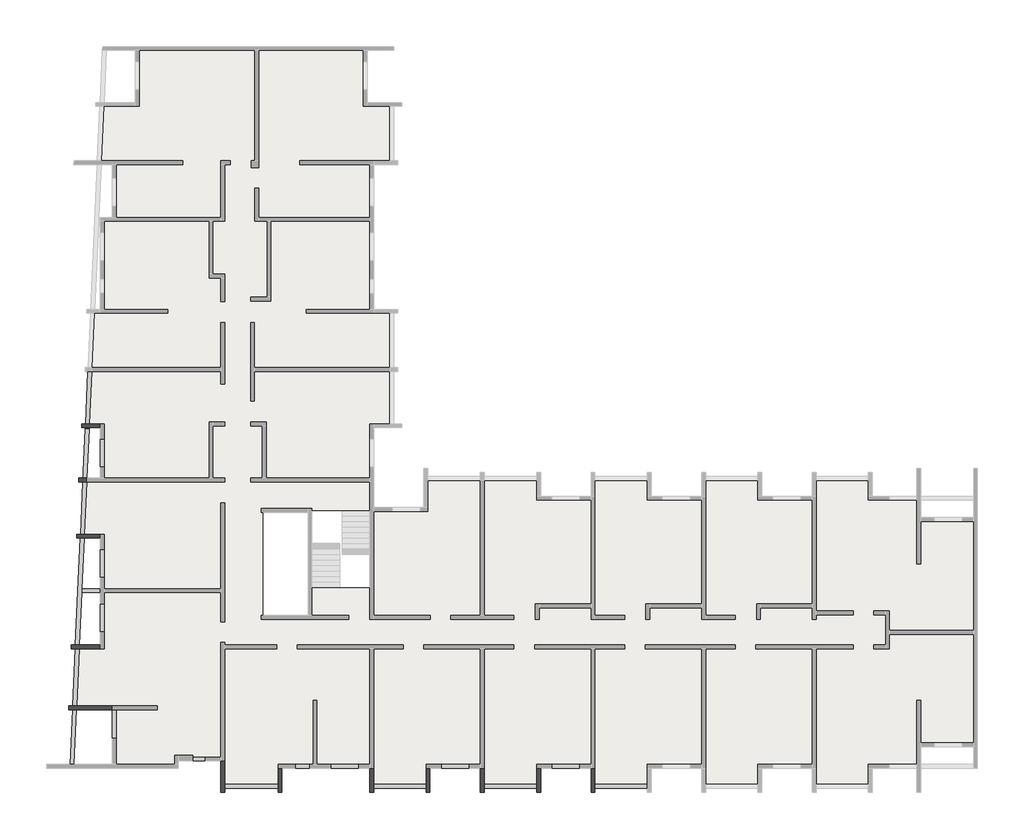
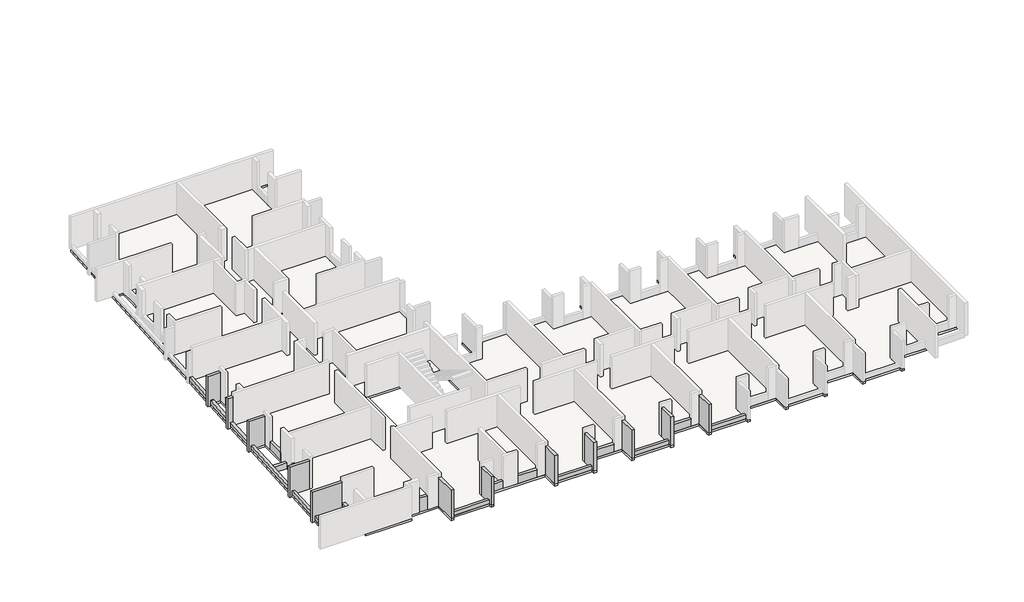
# One storey, part 3 of 4: 33 beams, 1 slab.
"""IFC4 building model written with IfcOpenShell, lengths in millimetres."""

from ifc_helpers import new_model, si_unit, frame, origin, place, context, project, spatial, polyline, outline, extrude, faceted_brep, element, save

model = new_model("IFC4")

# Units and contexts
model_context = context("Model", 3, world=origin())
ifc_project = project(units=[si_unit("LENGTHUNIT", "METRE", prefix="MILLI")], contexts=[model_context])

# Site, building, storey
site = spatial("IfcSite", under=ifc_project)
building = spatial("IfcBuilding", under=site)
storey = spatial("IfcBuildingStorey", under=building, Elevation=12290.0)

# Beams
placement = place(None, origin())
element("IfcBeam", 1, ObjectType="VI. 20/125", at=placement, inside=storey, context=model_context, shape_type="SweptSolid", body=[
    extrude(outline(polyline([(-37760.6912908, -18849.0672499), (-37760.6912908, -19049.0672499), (-38350.6912908, -19049.0672499), (-38350.6912908, -18849.0672499), (-37760.6912908, -18849.0672499)])), frame((0.0, 0.0, 12290.0), z_axis=(0.0, 0.0, 1.0), x_axis=(1.0, 0.0, 0.0)), (0.0, 0.0, 1.0), 1100.0),
])
element("IfcBeam", 2, ObjectType="VI. 20/238", at=placement, inside=storey, context=model_context, shape_type="Brep", body=[
    faceted_brep([(-17885.6912908, -20669.0672499, 14520.0), (-17885.6912908, -20669.0672499, 12140.0), (-17685.6912908, -20669.0672499, 12140.0), (-17685.6912908, -20669.0672499, 14520.0), (-17885.6912908, -19419.0672499, 14520.0), (-17685.6912908, -19419.0672499, 14520.0), (-17685.6912908, -19419.0672499, 12290.0), (-17885.6912908, -19419.0672499, 12290.0), (-17885.6912908, -20449.0672499, 12290.0), (-17885.6912908, -20449.0672499, 12140.0), (-17685.6912908, -20449.0672499, 12140.0), (-17685.6912908, -20449.0672499, 12290.0), (-17685.6912908, -20249.0672499, 12290.0)], [[[0, 1, 2, 3]], [[4, 5, 6, 7]], [[1, 0, 4, 7, 8, 9]], [[2, 1, 9, 10]], [[3, 2, 10, 11, 12, 6, 5]], [[0, 3, 5, 4]], [[8, 11, 10, 9]], [[11, 8, 7, 6, 12]]]),
])
element("IfcBeam", 3, ObjectType="VI. 20/238", at=placement, inside=storey, context=model_context, shape_type="Brep", body=[
    faceted_brep([(-20685.6912908, -20669.0672499, 14520.0), (-20685.6912908, -20669.0672499, 12140.0), (-20485.6912908, -20669.0672499, 12140.0), (-20485.6912908, -20669.0672499, 14520.0), (-20685.6912908, -19419.0672499, 14520.0), (-20485.6912908, -19419.0672499, 14520.0), (-20485.6912908, -19419.0672499, 12290.0), (-20685.6912908, -19419.0672499, 12290.0), (-20685.6912908, -20249.0672499, 12290.0), (-20685.6912908, -20449.0672499, 12290.0), (-20685.6912908, -20449.0672499, 12140.0), (-20485.6912908, -20449.0672499, 12140.0), (-20485.6912908, -20449.0672499, 12290.0)], [[[0, 1, 2, 3]], [[4, 5, 6, 7]], [[1, 0, 4, 7, 8, 9, 10]], [[2, 1, 10, 11]], [[3, 2, 11, 12, 6, 5]], [[0, 3, 5, 4]], [[9, 12, 11, 10]], [[12, 9, 8, 7, 6]]]),
])
element("IfcBeam", 4, ObjectType="VI. 20/238", at=placement, inside=storey, context=model_context, shape_type="Brep", body=[
    faceted_brep([(-23575.6912908, -20669.0672499, 14520.0), (-23575.6912908, -20669.0672499, 12140.0), (-23375.6912908, -20669.0672499, 12140.0), (-23375.6912908, -20669.0672499, 14520.0), (-23575.6912908, -19419.0672499, 14520.0), (-23375.6912908, -19419.0672499, 14520.0), (-23375.6912908, -19419.0672499, 12290.0), (-23575.6912908, -19419.0672499, 12290.0), (-23575.6912908, -20449.0672499, 12290.0), (-23575.6912908, -20449.0672499, 12140.0), (-23375.6912908, -20449.0672499, 12140.0), (-23375.6912908, -20449.0672499, 12290.0), (-23375.6912908, -20249.0672499, 12290.0)], [[[0, 1, 2, 3]], [[4, 5, 6, 7]], [[1, 0, 4, 7, 8, 9]], [[2, 1, 9, 10]], [[3, 2, 10, 11, 12, 6, 5]], [[0, 3, 5, 4]], [[8, 11, 10, 9]], [[11, 8, 7, 6, 12]]]),
])
element("IfcBeam", 5, ObjectType="VI. 20/238", at=placement, inside=storey, context=model_context, shape_type="Brep", body=[
    faceted_brep([(-26375.6912908, -20669.0672499, 14520.0), (-26375.6912908, -20669.0672499, 12140.0), (-26175.6912908, -20669.0672499, 12140.0), (-26175.6912908, -20669.0672499, 14520.0), (-26375.6912908, -19419.0672499, 14520.0), (-26175.6912908, -19419.0672499, 14520.0), (-26175.6912908, -19419.0672499, 12290.0), (-26375.6912908, -19419.0672499, 12290.0), (-26375.6912908, -20249.0672499, 12290.0), (-26375.6912908, -20449.0672499, 12290.0), (-26375.6912908, -20449.0672499, 12140.0), (-26175.6912908, -20449.0672499, 12140.0), (-26175.6912908, -20449.0672499, 12290.0)], [[[0, 1, 2, 3]], [[4, 5, 6, 7]], [[1, 0, 4, 7, 8, 9, 10]], [[2, 1, 10, 11]], [[3, 2, 11, 12, 6, 5]], [[0, 3, 5, 4]], [[9, 12, 11, 10]], [[12, 9, 8, 7, 6]]]),
])
element("IfcBeam", 6, ObjectType="VI. 20/238", at=placement, inside=storey, context=model_context, shape_type="Brep", body=[
    faceted_brep([(-29265.6912908, -20669.0672499, 14520.0), (-29265.6912908, -20669.0672499, 12140.0), (-29065.6912908, -20669.0672499, 12140.0), (-29065.6912908, -20669.0672499, 14520.0), (-29265.6912908, -19419.0672499, 14520.0), (-29065.6912908, -19419.0672499, 14520.0), (-29065.6912908, -19419.0672499, 12290.0), (-29265.6912908, -19419.0672499, 12290.0), (-29265.6912908, -20449.0672499, 12290.0), (-29265.6912908, -20449.0672499, 12140.0), (-29065.6912908, -20449.0672499, 12140.0), (-29065.6912908, -20449.0672499, 12290.0), (-29065.6912908, -20249.0672499, 12290.0)], [[[0, 1, 2, 3]], [[4, 5, 6, 7]], [[1, 0, 4, 7, 8, 9]], [[2, 1, 9, 10]], [[3, 2, 10, 11, 12, 6, 5]], [[0, 3, 5, 4]], [[8, 11, 10, 9]], [[11, 8, 7, 6, 12]]]),
])
element("IfcBeam", 7, ObjectType="VI. 20/238", at=placement, inside=storey, context=model_context, shape_type="Brep", body=[
    faceted_brep([(-33985.6912908, -20669.0672499, 14520.0), (-33985.6912908, -20669.0672499, 12140.0), (-33785.6912908, -20669.0672499, 12140.0), (-33785.6912908, -20669.0672499, 14520.0), (-33985.6912908, -19419.0672499, 14520.0), (-33785.6912908, -19419.0672499, 14520.0), (-33785.6912908, -19419.0672499, 12290.0), (-33985.6912908, -19419.0672499, 12290.0), (-33985.6912908, -20249.0672499, 12290.0), (-33985.6912908, -20449.0672499, 12290.0), (-33985.6912908, -20449.0672499, 12140.0), (-33785.6912908, -20449.0672499, 12140.0), (-33785.6912908, -20449.0672499, 12290.0)], [[[0, 1, 2, 3]], [[4, 5, 6, 7]], [[1, 0, 4, 7, 8, 9, 10]], [[2, 1, 10, 11]], [[3, 2, 11, 12, 6, 5]], [[0, 3, 5, 4]], [[9, 12, 11, 10]], [[12, 9, 8, 7, 6]]]),
])
element("IfcBeam", 8, ObjectType="VI. 20/238", at=placement, inside=storey, context=model_context, shape_type="Brep", body=[
    faceted_brep([(-36935.6912908, -20669.0672499, 14520.0), (-36935.6912908, -20669.0672499, 12140.0), (-36735.6912908, -20669.0672499, 12140.0), (-36735.6912908, -20669.0672499, 14520.0), (-36935.6912908, -19049.0672499, 14520.0), (-36735.6912908, -19049.0672499, 14520.0), (-36735.6912908, -19049.0672499, 12290.0), (-36935.6912908, -19049.0672499, 12290.0), (-36935.6912908, -20449.0672499, 12290.0), (-36935.6912908, -20449.0672499, 12140.0), (-36735.6912908, -20449.0672499, 12140.0), (-36735.6912908, -20449.0672499, 12290.0), (-36735.6912908, -20249.0672499, 12290.0)], [[[0, 1, 2, 3]], [[4, 5, 6, 7]], [[1, 0, 4, 7, 8, 9]], [[2, 1, 9, 10]], [[3, 2, 10, 11, 12, 6, 5]], [[0, 3, 5, 4]], [[8, 11, 10, 9]], [[11, 8, 7, 6, 12]]]),
])
element("IfcBeam", 9, ObjectType="VI. 20/238", at=placement, inside=storey, context=model_context, shape_type="Brep", body=[
    faceted_brep([(-44760.6912908, -16219.0891641, 14520.0), (-44760.6912908, -16219.0891641, 12140.0), (-44760.6912908, -16419.0891641, 12140.0), (-44760.6912908, -16419.0891641, 14520.0), (-42525.6912908, -16219.0891641, 14520.0), (-42525.6912908, -16219.0891641, 12290.0), (-44352.8043976, -16219.0891641, 12290.0), (-44553.0100894, -16219.0891641, 12290.0), (-44553.0100894, -16219.0891641, 12140.0), (-44562.0830718, -16419.0891641, 12140.0), (-44562.0830718, -16419.0891641, 12290.0), (-44361.876386, -16419.0891641, 12290.0), (-42525.6912908, -16419.0891641, 12290.0), (-42525.6912908, -16419.0891641, 14520.0)], [[[0, 1, 2, 3]], [[1, 0, 4, 5, 6, 7, 8]], [[2, 1, 8, 9]], [[3, 2, 9, 10, 11, 12, 13]], [[0, 3, 13, 4]], [[7, 10, 9, 8]], [[10, 7, 6, 5, 12, 11]], [[5, 4, 13, 12]]]),
])
element("IfcBeam", 10, ObjectType="VI. 20/238", at=placement, inside=storey, context=model_context, shape_type="Brep", body=[
    faceted_brep([(-44615.6912908, -13079.0891641, 14520.0), (-44615.6912908, -13079.0891641, 12140.0), (-44615.6912908, -13279.0891641, 12140.0), (-44615.6912908, -13279.0891641, 14520.0), (-43135.6912908, -13079.0891641, 14520.0), (-43135.6912908, -13079.0891641, 12290.0), (-44210.3575789, -13079.0891641, 12290.0), (-44410.5642648, -13079.0891641, 12290.0), (-44410.5642648, -13079.0891641, 12140.0), (-44419.6372472, -13279.0891641, 12140.0), (-44419.6372472, -13279.0891641, 12290.0), (-44219.4315555, -13279.0891641, 12290.0), (-43135.6912908, -13279.0891641, 12290.0), (-43135.6912908, -13279.0891641, 14520.0)], [[[0, 1, 2, 3]], [[1, 0, 4, 5, 6, 7, 8]], [[2, 1, 8, 9]], [[3, 2, 9, 10, 11, 12, 13]], [[0, 3, 13, 4]], [[4, 13, 12, 5]], [[7, 10, 9, 8]], [[10, 7, 6, 5, 12, 11]]]),
])
element("IfcBeam", 11, ObjectType="VI. 20/238", at=placement, inside=storey, context=model_context, shape_type="Brep", body=[
    faceted_brep([(-44355.6912908, -7379.0672499, 14520.0), (-44355.6912908, -7379.0672499, 12140.0), (-44355.6912908, -7579.0672499, 12140.0), (-44355.6912908, -7579.0672499, 14520.0), (-43135.6912908, -7379.0672499, 14520.0), (-43135.6912908, -7379.0672499, 12290.0), (-43951.7775788, -7379.0672499, 12290.0), (-44151.9832705, -7379.0672499, 12290.0), (-44151.9832705, -7379.0672499, 12140.0), (-44161.056253, -7579.0672499, 12140.0), (-44161.056253, -7579.0672499, 12290.0), (-43960.8505612, -7579.0672499, 12290.0), (-43135.6912908, -7579.0672499, 12290.0), (-43135.6912908, -7579.0672499, 14520.0)], [[[0, 1, 2, 3]], [[1, 0, 4, 5, 6, 7, 8]], [[2, 1, 8, 9]], [[3, 2, 9, 10, 11, 12, 13]], [[0, 3, 13, 4]], [[4, 13, 12, 5]], [[7, 10, 9, 8]], [[10, 7, 6, 5, 12, 11]]]),
])
element("IfcBeam", 12, ObjectType="VI. 20/238", at=placement, inside=storey, context=model_context, shape_type="Brep", body=[
    faceted_brep([(-43800.6912908, -4689.1017012, 12140.0), (-43800.6912908, -4489.1017012, 12140.0), (-43800.6912908, -4489.1017012, 12290.0), (-43800.6912908, -4689.1017012, 12290.0), (-44235.6912908, -4689.1017012, 14520.0), (-44235.6912908, -4489.1017012, 14520.0), (-44235.6912908, -4489.1017012, 12140.0), (-44235.6912908, -4689.1017012, 12140.0), (-43829.7459647, -4689.1017012, 12290.0), (-43829.7475276, -4689.1017012, 12590.0), (-43829.7475276, -4689.1017012, 14520.0), (-43820.6745451, -4489.1017012, 14520.0), (-43820.6745451, -4489.1017012, 12290.0)], [[[0, 1, 2, 3]], [[4, 5, 6, 7]], [[4, 7, 0, 3, 8, 9, 10]], [[1, 0, 7, 6]], [[6, 5, 11, 12, 2, 1]], [[5, 4, 10, 11]], [[12, 8, 3, 2]], [[8, 12, 11, 10, 9]]]),
])
element("IfcBeam", 13, ObjectType="VI. 20/238", at=placement, inside=storey, context=model_context, shape_type="Brep", body=[
    faceted_brep([(-44100.6912908, -1889.5482142, 14520.0), (-44100.6912908, -1689.5482142, 14520.0), (-44100.6912908, -1689.5482142, 12140.0), (-44100.6912908, -1889.5482142, 12140.0), (-43902.9517209, -1889.5482142, 12140.0), (-43902.9517209, -1889.5482142, 12290.0), (-43702.7460292, -1889.5482142, 12290.0), (-43135.6912908, -1889.5482142, 12290.0), (-43135.6912908, -1889.5482142, 14520.0), (-43893.8787384, -1689.5482142, 12140.0), (-43135.6912908, -1689.5482142, 14520.0), (-43135.6912908, -1689.5482142, 12290.0), (-43693.6730467, -1689.5482142, 12290.0), (-43893.8787384, -1689.5482142, 12290.0)], [[[0, 1, 2, 3]], [[0, 3, 4, 5, 6, 7, 8]], [[3, 2, 9, 4]], [[2, 1, 10, 11, 12, 13, 9]], [[1, 0, 8, 10]], [[10, 8, 7, 11]], [[13, 5, 4, 9]], [[5, 13, 12, 11, 7, 6]]]),
])
element("IfcBeam", 14, ObjectType="VI. 20/45", at=placement, inside=storey, context=model_context, shape_type="SweptSolid", body=[
    extrude(outline(polyline([(-14995.6912908, -20249.0672499), (-14995.6912908, -20449.0672499), (-17685.6912908, -20449.0672499), (-17685.6912908, -20249.0672499), (-14995.6912908, -20249.0672499)])), frame((0.0, 0.0, 12290.0), z_axis=(0.0, 0.0, 1.0), x_axis=(1.0, 0.0, 0.0)), (0.0, 0.0, 1.0), 300.0),
])
element("IfcBeam", 15, ObjectType="VI. 20/45", at=placement, inside=storey, context=model_context, shape_type="SweptSolid", body=[
    extrude(outline(polyline([(-20685.6912908, -20249.0672499), (-20685.6912908, -20449.0672499), (-23375.6912908, -20449.0672499), (-23375.6912908, -20249.0672499), (-20685.6912908, -20249.0672499)])), frame((0.0, 0.0, 12290.0), z_axis=(0.0, 0.0, 1.0), x_axis=(1.0, 0.0, 0.0)), (0.0, 0.0, 1.0), 300.0),
])
element("IfcBeam", 16, ObjectType="VI. 20/45", at=placement, inside=storey, context=model_context, shape_type="SweptSolid", body=[
    extrude(outline(polyline([(-26375.6912908, -20249.0672499), (-26375.6912908, -20449.0672499), (-29065.6912908, -20449.0672499), (-29065.6912908, -20249.0672499), (-26375.6912908, -20249.0672499)])), frame((0.0, 0.0, 12290.0), z_axis=(0.0, 0.0, 1.0), x_axis=(1.0, 0.0, 0.0)), (0.0, 0.0, 1.0), 300.0),
])
element("IfcBeam", 17, ObjectType="VI. 20/45", at=placement, inside=storey, context=model_context, shape_type="SweptSolid", body=[
    extrude(outline(polyline([(-33985.6912908, -20249.0672499), (-33985.6912908, -20449.0672499), (-36735.6912908, -20449.0672499), (-36735.6912908, -20249.0672499), (-33985.6912908, -20249.0672499)])), frame((0.0, 0.0, 12290.0), z_axis=(0.0, 0.0, 1.0), x_axis=(1.0, 0.0, 0.0)), (0.0, 0.0, 1.0), 300.0),
])
element("IfcBeam", 18, ObjectType="VI. 20/45", at=placement, inside=storey, context=model_context, shape_type="SweptSolid", body=[
    extrude(outline(polyline([(-44488.8981404, -19219.0672499), (-44689.1038321, -19219.0672499), (-44562.0830718, -16419.0891641), (-44361.8773801, -16419.0891641), (-44488.8981404, -19219.0672499)])), frame((0.0, 0.0, 12140.0), z_axis=(0.0, 0.0, 1.0), x_axis=(1.0, 0.0, 0.0)), (0.0, 0.0, 1.0), 450.0),
])
element("IfcBeam", 19, ObjectType="VI. 20/45", at=placement, inside=storey, context=model_context, shape_type="SweptSolid", body=[
    extrude(outline(polyline([(-44352.8043976, -16219.0891641), (-44553.0100894, -16219.0891641), (-44419.6372472, -13279.0891641), (-44219.4315555, -13279.0891641), (-44352.8043976, -16219.0891641)])), frame((0.0, 0.0, 12290.0), z_axis=(0.0, 0.0, 1.0), x_axis=(1.0, 0.0, 0.0)), (0.0, 0.0, 1.0), 300.0),
])
element("IfcBeam", 20, ObjectType="VI. 20/45", at=placement, inside=storey, context=model_context, shape_type="Brep", body=[
    faceted_brep([(-44210.358573, -13079.0891641, 12290.0), (-43961.984684, -7604.0672499, 12290.0), (-43960.8505612, -7579.0672499, 12290.0), (-43960.8505612, -7579.0672499, 12590.0), (-44078.8008961, -10179.1017012, 12590.0), (-44087.8738785, -10379.1017012, 12590.0), (-44210.358573, -13079.0891641, 12590.0), (-44410.5642648, -13079.0891641, 12290.0), (-44410.5642648, -13079.0891641, 12590.0), (-44161.056253, -7579.0672499, 12590.0), (-44161.056253, -7579.0672499, 12290.0)], [[[0, 1, 2, 3, 4, 5, 6]], [[7, 8, 9, 10]], [[8, 6, 5, 4, 3, 9]], [[1, 0, 7, 10, 2]], [[6, 8, 7, 0]], [[3, 2, 10, 9]]]),
])
element("IfcBeam", 21, ObjectType="VI. 20/45", at=placement, inside=storey, context=model_context, shape_type="Brep", body=[
    faceted_brep([(-44087.8738785, -10379.1017012, 12140.0), (-43135.6912908, -10379.1017012, 12140.0), (-43135.6912908, -10379.1017012, 12290.0), (-43135.6912908, -10379.1017012, 12590.0), (-44087.8738785, -10379.1017012, 12590.0), (-44087.8738785, -10379.1017012, 12290.0), (-43135.6912908, -10179.1017012, 12140.0), (-44078.8008961, -10179.1017012, 12140.0), (-44078.8008961, -10179.1017012, 12290.0), (-44078.8008961, -10179.1017012, 12590.0), (-43135.6912908, -10179.1017012, 12590.0), (-43135.6912908, -10179.1017012, 12290.0)], [[[0, 1, 2, 3, 4, 5]], [[6, 1, 0, 7]], [[6, 7, 8, 9, 10, 11]], [[9, 4, 3, 10]], [[1, 6, 11, 10, 3, 2]], [[7, 0, 5, 4, 9, 8]]]),
])
element("IfcBeam", 22, ObjectType="VI. 20/45", at=placement, inside=storey, context=model_context, shape_type="Brep", body=[
    faceted_brep([(-43951.7775788, -7379.0672499, 12590.0), (-43951.7775788, -7379.0672499, 12290.0), (-43829.7475276, -4689.1017012, 12290.0), (-43829.7475276, -4689.1017012, 12590.0), (-44151.9832705, -7379.0672499, 12290.0), (-44151.9832705, -7379.0672499, 12590.0), (-44029.9532193, -4689.1017012, 12590.0), (-44029.9532193, -4689.1017012, 12290.0), (-43882.5482129, -4689.1017012, 12590.0), (-43882.5482129, -4689.1017012, 12290.0)], [[[0, 1, 2, 3]], [[4, 5, 6, 7]], [[5, 0, 3, 8, 6]], [[0, 5, 4, 1]], [[1, 4, 7, 9, 2]], [[3, 2, 9, 7, 6, 8]]]),
])
element("IfcBeam", 23, ObjectType="VI. 20/45", at=placement, inside=storey, context=model_context, shape_type="Brep", body=[
    faceted_brep([(-43820.6729822, -4489.0672499, 12290.0), (-43705.7747362, -1956.311422, 12290.0), (-43705.7747362, -1956.311422, 12590.0), (-43820.6729822, -4489.0672499, 12590.0), (-43829.7459647, -4689.0672499, 12590.0), (-43829.7459647, -4689.0672499, 12290.0), (-44029.6489268, -4682.3940389, 12590.0), (-43905.5692558, -1947.2477611, 12590.0), (-43905.5692558, -1947.2477611, 12290.0), (-44029.6489268, -4682.3940389, 12290.0), (-43882.5482129, -4689.0672499, 12590.0), (-43882.5482129, -4689.0672499, 12290.0)], [[[0, 1, 2, 3, 4, 5]], [[6, 7, 8, 9]], [[7, 6, 10, 4, 3, 2]], [[1, 0, 5, 11, 9, 8]], [[10, 6, 9, 11]], [[4, 10, 11, 5]], [[7, 2, 1, 8]]]),
])
element("IfcBeam", 24, ObjectType="VI. 20/45", at=placement, inside=storey, context=model_context, shape_type="SweptSolid", body=[
    extrude(outline(polyline([(-43571.6196137, 1000.9327501), (-43693.6730467, -1689.5482142), (-43893.8787384, -1689.5482142), (-43771.8253055, 1000.9327501), (-43571.6196137, 1000.9327501)])), frame((0.0, 0.0, 12290.0), z_axis=(0.0, 0.0, 1.0), x_axis=(1.0, 0.0, 0.0)), (0.0, 0.0, 1.0), 300.0),
])
element("IfcBeam", 25, ObjectType="VI. 20/45", at=placement, inside=storey, context=model_context, shape_type="SweptSolid", body=[
    extrude(outline(polyline([(-43702.7460292, -1889.5482142), (-43705.7747362, -1956.311422), (-43905.5692558, -1947.2477611), (-43902.9517209, -1889.5482142), (-43702.7460292, -1889.5482142)])), frame((0.0, 0.0, 12290.0), z_axis=(0.0, 0.0, 1.0), x_axis=(1.0, 0.0, 0.0)), (0.0, 0.0, 1.0), 300.0),
])
element("IfcBeam", 26, ObjectType="VI. 20/75", at=placement, inside=storey, context=model_context, shape_type="SweptSolid", body=[
    extrude(outline(polyline([(-18465.6912908, -19219.0672499), (-18465.6912908, -19419.0672499), (-19905.6912908, -19419.0672499), (-19905.6912908, -19219.0672499), (-18465.6912908, -19219.0672499)])), frame((0.0, 0.0, 12290.0), z_axis=(0.0, 0.0, 1.0), x_axis=(1.0, 0.0, 0.0)), (0.0, 0.0, 1.0), 600.0),
])
element("IfcBeam", 27, ObjectType="VI. 20/75", at=placement, inside=storey, context=model_context, shape_type="SweptSolid", body=[
    extrude(outline(polyline([(-24155.6912908, -19219.0672499), (-24155.6912908, -19419.0672499), (-25595.6912908, -19419.0672499), (-25595.6912908, -19219.0672499), (-24155.6912908, -19219.0672499)])), frame((0.0, 0.0, 12290.0), z_axis=(0.0, 0.0, 1.0), x_axis=(1.0, 0.0, 0.0)), (0.0, 0.0, 1.0), 600.0),
])
element("IfcBeam", 28, ObjectType="VI. 20/75", at=placement, inside=storey, context=model_context, shape_type="SweptSolid", body=[
    extrude(outline(polyline([(-29845.6912908, -19219.0672499), (-29845.6912908, -19419.0672499), (-31285.6912908, -19419.0672499), (-31285.6912908, -19219.0672499), (-29845.6912908, -19219.0672499)])), frame((0.0, 0.0, 12290.0), z_axis=(0.0, 0.0, 1.0), x_axis=(1.0, 0.0, 0.0)), (0.0, 0.0, 1.0), 600.0),
])
element("IfcBeam", 29, ObjectType="VI. 20/75", at=placement, inside=storey, context=model_context, shape_type="SweptSolid", body=[
    extrude(outline(polyline([(-42935.6912908, -3909.0672499), (-43135.6912908, -3909.0672499), (-43135.6912908, -2469.0672499), (-42935.6912908, -2469.0672499), (-42935.6912908, -3909.0672499)])), frame((0.0, 0.0, 12290.0), z_axis=(0.0, 0.0, 1.0), x_axis=(1.0, 0.0, 0.0)), (0.0, 0.0, 1.0), 600.0),
])
element("IfcBeam", 30, ObjectType="VI. 20/75", at=placement, inside=storey, context=model_context, shape_type="SweptSolid", body=[
    extrude(outline(polyline([(-42525.6912908, -16419.0672499), (-42325.6912908, -16419.0672499), (-42325.6912908, -17889.0672499), (-42525.6912908, -17889.0672499), (-42525.6912908, -16419.0672499)])), frame((0.0, 0.0, 12290.0), z_axis=(0.0, 0.0, 1.0), x_axis=(1.0, 0.0, 0.0)), (0.0, 0.0, 1.0), 600.0),
])
element("IfcBeam", 31, ObjectType="VI. 20/75", at=placement, inside=storey, context=model_context, shape_type="SweptSolid", body=[
    extrude(outline(polyline([(-42935.6912908, -9599.0672499), (-43135.6912908, -9599.0672499), (-43135.6912908, -8159.0672499), (-42935.6912908, -8159.0672499), (-42935.6912908, -9599.0672499)])), frame((0.0, 0.0, 12290.0), z_axis=(0.0, 0.0, 1.0), x_axis=(1.0, 0.0, 0.0)), (0.0, 0.0, 1.0), 600.0),
])
element("IfcBeam", 32, ObjectType="VI. 20/75", at=placement, inside=storey, context=model_context, shape_type="SweptSolid", body=[
    extrude(outline(polyline([(-42935.6912908, -12399.0672499), (-43135.6912908, -12399.0672499), (-43135.6912908, -10959.0672499), (-42935.6912908, -10959.0672499), (-42935.6912908, -12399.0672499)])), frame((0.0, 0.0, 12290.0), z_axis=(0.0, 0.0, 1.0), x_axis=(1.0, 0.0, 0.0)), (0.0, 0.0, 1.0), 600.0),
])
element("IfcBeam", 33, ObjectType="VI. 20/75", at=placement, inside=storey, context=model_context, shape_type="SweptSolid", body=[
    extrude(outline(polyline([(-32365.6912908, -19219.0672499), (-32365.6912908, -19419.0672499), (-33105.6912908, -19419.0672499), (-33105.6912908, -19219.0672499), (-32365.6912908, -19219.0672499)])), frame((0.0, 0.0, 12290.0), z_axis=(0.0, 0.0, 1.0), x_axis=(1.0, 0.0, 0.0)), (0.0, 0.0, 1.0), 600.0),
])

# Slab
element("IfcSlab", 34, ObjectType="LHA15", at=placement, inside=storey, context=model_context, shape_type="Brep", body=[
    faceted_brep([(1994.3087092, -18319.0672499, 12140.0), (1994.3087092, -18319.0672499, 12290.0), (1189.3087092, -18319.0672499, 12290.0), (-200.6912908, -18319.0672499, 12290.0), (-925.6912908, -18319.0672499, 12290.0), (-925.6912908, -18319.0672499, 12140.0), (-925.6912908, -19419.0672499, 12290.0), (-925.6912908, -19419.0672499, 12140.0), (-925.6912908, -19219.0672499, 12140.0), (-1125.6912908, -19419.0672499, 12290.0), (-2545.6912908, -19419.0672499, 12290.0), (-3415.6912908, -19419.0672499, 12290.0), (-3415.6912908, -19419.0672499, 12140.0), (-3415.6912908, -20449.0672499, 12290.0), (-3415.6912908, -20669.0672499, 12290.0), (-3415.6912908, -20669.0672499, 12140.0), (-6505.6912908, -20669.0672499, 12140.0), (-6505.6912908, -20669.0672499, 12290.0), (-6505.6912908, -20449.0672499, 12290.0), (-6505.6912908, -19419.0672499, 12290.0), (-6505.6912908, -19419.0672499, 12140.0), (-7085.6912908, -19419.0672499, 12290.0), (-8525.6912908, -19419.0672499, 12290.0), (-9105.6912908, -19419.0672499, 12290.0), (-9105.6912908, -19419.0672499, 12140.0), (-9105.6912908, -20449.0672499, 12290.0), (-9105.6912908, -20669.0672499, 12290.0), (-9105.6912908, -20669.0672499, 12140.0), (-12195.6912908, -20669.0672499, 12140.0), (-12195.6912908, -20669.0672499, 12290.0), (-12195.6912908, -20449.0672499, 12290.0), (-12195.6912908, -19419.0672499, 12290.0), (-12195.6912908, -19419.0672499, 12140.0), (-12775.6912908, -19419.0672499, 12290.0), (-14215.6912908, -19419.0672499, 12290.0), (-14795.6912908, -19419.0672499, 12290.0), (-14795.6912908, -19419.0672499, 12140.0), (-14795.6912908, -20449.0672499, 12290.0), (-14795.6912908, -20669.0672499, 12290.0), (-14795.6912908, -20669.0672499, 12140.0), (-17885.6912908, -20669.0672499, 12140.0), (-17885.6912908, -20669.0672499, 12290.0), (-17885.6912908, -20449.0672499, 12290.0), (-17885.6912908, -19419.0672499, 12290.0), (-17885.6912908, -19419.0672499, 12140.0), (-18465.6912908, -19419.0672499, 12290.0), (-19905.6912908, -19419.0672499, 12290.0), (-20485.6912908, -19419.0672499, 12290.0), (-20485.6912908, -19419.0672499, 12140.0), (-20485.6912908, -20449.0672499, 12290.0), (-20485.6912908, -20669.0672499, 12290.0), (-20485.6912908, -20669.0672499, 12140.0), (-23575.6912908, -20669.0672499, 12140.0), (-23575.6912908, -20669.0672499, 12290.0), (-23575.6912908, -20449.0672499, 12290.0), (-23575.6912908, -19419.0672499, 12290.0), (-23575.6912908, -19419.0672499, 12140.0), (-24155.6912908, -19419.0672499, 12290.0), (-25595.6912908, -19419.0672499, 12290.0), (-26175.6912908, -19419.0672499, 12290.0), (-26175.6912908, -19419.0672499, 12140.0), (-26175.6912908, -20449.0672499, 12290.0), (-26175.6912908, -20669.0672499, 12290.0), (-26175.6912908, -20669.0672499, 12140.0), (-29265.6912908, -20669.0672499, 12140.0), (-29265.6912908, -20669.0672499, 12290.0), (-29265.6912908, -20449.0672499, 12290.0), (-29265.6912908, -19419.0672499, 12290.0), (-29265.6912908, -19419.0672499, 12140.0), (-29845.6912908, -19419.0672499, 12290.0), (-31285.6912908, -19419.0672499, 12290.0), (-32365.6912908, -19419.0672499, 12290.0), (-33105.6912908, -19419.0672499, 12290.0), (-33785.6912908, -19419.0672499, 12290.0), (-33785.6912908, -19419.0672499, 12140.0), (-33785.6912908, -20449.0672499, 12290.0), (-33785.6912908, -20669.0672499, 12290.0), (-33785.6912908, -20669.0672499, 12140.0), (-36935.6912908, -20669.0672499, 12140.0), (-36935.6912908, -20669.0672499, 12290.0), (-36935.6912908, -20449.0672499, 12290.0), (-36935.6912908, -19049.0672499, 12290.0), (-36935.6912908, -19049.0672499, 12140.0), (-37760.6912908, -19049.0672499, 12290.0), (-38350.6912908, -19049.0672499, 12290.0), (-39115.6912908, -19049.0672499, 12290.0), (-39115.6912908, -19049.0672499, 12140.0), (-39115.6912908, -19419.0672499, 12290.0), (-39115.6912908, -19419.0672499, 12140.0), (-42525.6912908, -19419.0672499, 12290.0), (-42525.6912908, -19419.0672499, 12140.0), (-41335.6912908, 17730.9327501, 12140.0), (-41335.6912908, 17730.9327501, 12290.0), (-28035.6912908, 17730.9327501, 12290.0), (-28035.6912908, 17730.9327501, 12140.0), (-29395.6912908, 17530.9327501, 12140.0), (-29395.6912908, 17530.9327501, 12290.0), (-29395.6912908, 16950.9327501, 12290.0), (-29395.6912908, 15510.9327501, 12290.0), (-29395.6912908, 14850.8982988, 12290.0), (-29395.6912908, 14850.8982988, 12140.0), (-27635.6912908, 14850.8982988, 12290.0), (-27635.6912908, 14850.8982988, 12140.0), (-28035.6912908, 14650.9327501, 12140.0), (-28035.6912908, 14650.9327501, 12290.0), (-28035.6912908, 11850.9327501, 12290.0), (-28035.6912908, 11850.9327501, 12140.0), (-27835.6912908, 11650.9327501, 12140.0), (-27835.6912908, 11650.9327501, 12290.0), (-29065.6912908, 11650.9327501, 12290.0), (-29065.6912908, 11650.9327501, 12140.0), (-29065.6912908, 10925.9327501, 12290.0), (-29065.6912908, 9535.9327501, 12290.0), (-29065.6912908, 8150.9327501, 12290.0), (-29065.6912908, 6710.9327501, 12290.0), (-29065.6912908, 5760.9327501, 12290.0), (-29065.6912908, 5020.9327501, 12290.0), (-29065.6912908, 4200.9327501, 12290.0), (-29065.6912908, 4200.9327501, 12140.0), (-27835.6912908, 4200.9327501, 12290.0), (-27835.6912908, 4200.9327501, 12140.0), (-28035.6912908, 1000.9327501, 12140.0), (-28035.6912908, 1000.9327501, 12290.0), (-28035.6912908, -1689.5482142, 12290.0), (-28035.6912908, -1689.5482142, 12140.0), (-29065.6912908, -1889.5482142, 12140.0), (-29065.6912908, -1889.5482142, 12290.0), (-29065.6912908, -2469.0672499, 12290.0), (-29065.6912908, -3909.0672499, 12290.0), (-29065.6912908, -6004.0672499, 12290.0), (-29065.6912908, -6004.0672499, 12140.0), (-28115.6912908, -6004.0672499, 12290.0), (-26675.6912908, -6004.0672499, 12290.0), (-26495.6912908, -6004.0672499, 12290.0), (-26495.6912908, -6004.0672499, 12140.0), (-26495.6912908, -3999.0672499, 12290.0), (-26495.6912908, -3999.0672499, 12140.0), (-26295.6912908, -4399.0672499, 12140.0), (-26295.6912908, -4399.0672499, 12290.0), (-23575.6912908, -4399.0672499, 12290.0), (-23575.6912908, -4399.0672499, 12140.0), (-20485.6912908, -4199.0672499, 12140.0), (-20485.6912908, -4199.0672499, 12290.0), (-20485.6912908, -5419.0672499, 12290.0), (-20485.6912908, -5419.0672499, 12140.0), (-19905.6912908, -5419.0672499, 12290.0), (-18465.6912908, -5419.0672499, 12290.0), (-17885.6912908, -5419.0672499, 12290.0), (-17885.6912908, -5419.0672499, 12140.0), (-17885.6912908, -4199.0672499, 12290.0), (-17885.6912908, -4199.0672499, 12140.0), (-17685.6912908, -4399.0672499, 12140.0), (-17685.6912908, -4399.0672499, 12290.0), (-14995.6912908, -4399.0672499, 12290.0), (-14995.6912908, -4399.0672499, 12140.0), (-14795.6912908, -4199.0672499, 12140.0), (-14795.6912908, -4199.0672499, 12290.0), (-14795.6912908, -5419.0672499, 12290.0), (-14795.6912908, -5419.0672499, 12140.0), (-14215.6912908, -5419.0672499, 12290.0), (-12775.6912908, -5419.0672499, 12290.0), (-12195.6912908, -5419.0672499, 12290.0), (-12195.6912908, -5419.0672499, 12140.0), (-12195.6912908, -4199.0672499, 12290.0), (-12195.6912908, -4199.0672499, 12140.0), (-11995.6912908, -4399.0672499, 12140.0), (-11995.6912908, -4399.0672499, 12290.0), (-9305.6912908, -4399.0672499, 12290.0), (-9305.6912908, -4399.0672499, 12140.0), (-9105.6912908, -4199.0672499, 12140.0), (-9105.6912908, -4199.0672499, 12290.0), (-9105.6912908, -5419.0672499, 12290.0), (-9105.6912908, -5419.0672499, 12140.0), (-8525.6912908, -5419.0672499, 12290.0), (-7085.6912908, -5419.0672499, 12290.0), (-6505.6912908, -5419.0672499, 12290.0), (-6505.6912908, -5419.0672499, 12140.0), (-6505.6912908, -4199.0672499, 12290.0), (-6505.6912908, -4199.0672499, 12140.0), (-6305.6912908, -4399.0672499, 12140.0), (-6305.6912908, -4399.0672499, 12290.0), (-3615.6912908, -4399.0672499, 12290.0), (-3615.6912908, -4399.0672499, 12140.0), (-3415.6912908, -4199.0672499, 12140.0), (-3415.6912908, -4199.0672499, 12290.0), (-3415.6912908, -5419.0672499, 12290.0), (-3415.6912908, -5419.0672499, 12140.0), (-2545.6912908, -5419.0672499, 12290.0), (-1125.6912908, -5419.0672499, 12290.0), (-925.6912908, -5419.0672499, 12290.0), (-925.6912908, -5419.0672499, 12140.0), (-925.6912908, -6519.0672499, 12290.0), (-925.6912908, -6519.0672499, 12140.0), (-925.6912908, -5619.0672499, 12140.0), (-200.6912908, -6519.0672499, 12290.0), (1189.3087092, -6519.0672499, 12290.0), (1994.3087092, -6519.0672499, 12290.0), (1994.3087092, -6519.0672499, 12140.0), (-32245.6912908, -10104.0672499, 12140.0), (-32245.6912908, -10104.0672499, 12290.0), (-29265.6912908, -10104.0672499, 12290.0), (-29265.6912908, -10104.0672499, 12140.0), (-29265.6912908, -6184.0672499, 12290.0), (-29265.6912908, -6184.0672499, 12140.0), (-32245.6912908, -6184.0672499, 12290.0), (-32245.6912908, -6184.0672499, 12140.0), (-32245.6912908, -6244.0672499, 12290.0), (-32245.6912908, -6244.0672499, 12140.0), (-34745.6912908, -6244.0672499, 12290.0), (-34745.6912908, -6244.0672499, 12140.0), (-34745.6912908, -11559.0672499, 12290.0), (-34745.6912908, -11559.0672499, 12140.0), (-32245.6912908, -11559.0672499, 12290.0), (-32245.6912908, -11559.0672499, 12140.0), (-3615.6912908, -20449.0672499, 12140.0), (-3615.6912908, -20449.0672499, 12290.0), (-6305.6912908, -20449.0672499, 12290.0), (-6305.6912908, -20449.0672499, 12140.0), (-9305.6912908, -20449.0672499, 12140.0), (-9305.6912908, -20449.0672499, 12290.0), (-11995.6912908, -20449.0672499, 12290.0), (-11995.6912908, -20449.0672499, 12140.0), (-14995.6912908, -20449.0672499, 12140.0), (-14995.6912908, -20449.0672499, 12290.0), (-17685.6912908, -20449.0672499, 12290.0), (-17685.6912908, -20449.0672499, 12140.0), (-20685.6912908, -20449.0672499, 12140.0), (-20685.6912908, -20449.0672499, 12290.0), (-23375.6912908, -20449.0672499, 12290.0), (-23375.6912908, -20449.0672499, 12140.0), (-26375.6912908, -20449.0672499, 12140.0), (-26375.6912908, -20449.0672499, 12290.0), (-29065.6912908, -20449.0672499, 12290.0), (-29065.6912908, -20449.0672499, 12140.0), (-33985.6912908, -20449.0672499, 12140.0), (-33985.6912908, -20449.0672499, 12290.0), (-36735.6912908, -20449.0672499, 12290.0), (-36735.6912908, -20449.0672499, 12140.0), (-27635.6912908, -1889.5482142, 12140.0), (-27635.6912908, -1889.5482142, 12290.0), (-44689.1038321, -19219.0672499, 12140.0), (-44689.1038321, -19219.0672499, 12290.0), (-44562.0830718, -16419.0891641, 12290.0), (-44553.0100894, -16219.0891641, 12290.0), (-44419.6372472, -13279.0891641, 12290.0), (-44410.5642648, -13079.0891641, 12290.0), (-44161.056253, -7579.0672499, 12290.0), (-44151.9832705, -7379.0672499, 12290.0), (-44029.9532193, -4689.1017012, 12290.0), (-44029.6489268, -4682.3940389, 12290.0), (-43905.5692558, -1947.2477611, 12290.0), (-43902.9517209, -1889.5482142, 12290.0), (-43893.8787384, -1689.5482142, 12290.0), (-43771.8253055, 1000.9327501, 12290.0), (-43762.752323, 1200.9327501, 12290.0), (-43635.7305686, 4000.9327501, 12290.0), (-43626.6575861, 4200.9327501, 12290.0), (-43288.6889895, 11650.9327501, 12290.0), (-43279.616007, 11850.9327501, 12290.0), (-43152.5942526, 14650.9327501, 12290.0), (-43143.5212701, 14850.9327501, 12290.0), (-43021.9433052, 17530.9327501, 12290.0), (-43021.9433052, 17530.9327501, 12140.0), (-43143.5212701, 14850.9327501, 12140.0), (-43152.5942526, 14650.9327501, 12140.0), (-43762.752323, 1200.9327501, 12140.0), (-43771.8253055, 1000.9327501, 12140.0), (-43893.8787384, -1689.5482142, 12140.0), (-43902.9517209, -1889.5482142, 12140.0), (-44151.9832705, -7379.0672499, 12140.0), (-44161.056253, -7579.0672499, 12140.0), (-44410.5642648, -13079.0891641, 12140.0), (-44419.6372472, -13279.0891641, 12140.0), (-44553.0100894, -16219.0891641, 12140.0), (-44562.0830718, -16419.0891641, 12140.0), (-3615.6912908, -4199.0672499, 12290.0), (-6305.6912908, -4199.0672499, 12290.0), (-9305.6912908, -4199.0672499, 12290.0), (-11995.6912908, -4199.0672499, 12290.0), (-14995.6912908, -4199.0672499, 12290.0), (-17685.6912908, -4199.0672499, 12290.0), (-20685.6912908, -4199.0672499, 12290.0), (-20685.6912908, -4399.0672499, 12290.0), (-23375.6912908, -4399.0672499, 12290.0), (-23375.6912908, -4199.0672499, 12290.0), (-23575.6912908, -4199.0672499, 12290.0), (-26295.6912908, -3999.0672499, 12290.0), (-27635.6912908, -1689.5482142, 12290.0), (-27835.6912908, 1000.9327501, 12290.0), (-27835.6912908, 1200.9327501, 12290.0), (-28035.6912908, 1200.9327501, 12290.0), (-28035.6912908, 4000.9327501, 12290.0), (-27835.6912908, 4000.9327501, 12290.0), (-27835.6912908, 11850.9327501, 12290.0), (-27635.6912908, 14650.9327501, 12290.0), (-28035.6912908, 17530.9327501, 12290.0), (-41335.6912908, 16950.9327501, 12290.0), (-41335.6912908, 15510.9327501, 12290.0), (-41335.6912908, 14850.9327501, 12290.0), (-42943.3155784, 14850.9327501, 12290.0), (-42821.7376134, 17530.9327501, 12290.0), (-44488.8981404, -19219.0672499, 12290.0), (-44361.876386, -16419.0672499, 12290.0), (-42525.6912908, -16419.0672499, 12290.0), (-42525.6912908, -17889.0672499, 12290.0), (-36735.6912908, -20669.0672499, 12290.0), (-33985.6912908, -20669.0672499, 12290.0), (-29065.6912908, -20669.0672499, 12290.0), (-26375.6912908, -20669.0672499, 12290.0), (-23375.6912908, -20669.0672499, 12290.0), (-20685.6912908, -20669.0672499, 12290.0), (-17685.6912908, -20669.0672499, 12290.0), (-14995.6912908, -20669.0672499, 12290.0), (-11995.6912908, -20669.0672499, 12290.0), (-9305.6912908, -20669.0672499, 12290.0), (-6305.6912908, -20669.0672499, 12290.0), (-3615.6912908, -20669.0672499, 12290.0), (-43135.6912908, -4489.0672499, 12290.0), (-43820.6729822, -4489.0672499, 12290.0), (-43705.7747362, -1956.311422, 12290.0), (-43702.7460292, -1889.5482142, 12290.0), (-43135.6912908, -1889.5482142, 12290.0), (-43135.6912908, -2469.0672499, 12290.0), (-43135.6912908, -3909.0672499, 12290.0), (-44210.3575789, -13079.0672499, 12290.0), (-43960.8505612, -7579.0672499, 12290.0), (-43135.6912908, -7579.0672499, 12290.0), (-43135.6912908, -8159.0672499, 12290.0), (-43135.6912908, -9599.0672499, 12290.0), (-43135.6912908, -10959.0672499, 12290.0), (-43135.6912908, -12399.0672499, 12290.0), (-43135.6912908, -13079.0672499, 12290.0), (-42525.6912908, 8930.9327501, 12290.0), (-43135.6912908, 8930.9327501, 12290.0), (-43211.8758592, 8930.9327501, 12290.0), (-43088.4832977, 11650.9327501, 12290.0), (-42525.6912908, 11650.9327501, 12290.0), (-42525.6912908, 10950.9327501, 12290.0), (-42525.6912908, 9510.9327501, 12290.0), (-43426.4518943, 4200.9327501, 12290.0), (-43220.9488416, 8730.9327501, 12290.0), (-43135.6912908, 8730.9327501, 12290.0), (-43135.6912908, 8150.9327501, 12290.0), (-43135.6912908, 6710.9327501, 12290.0), (-43135.6912908, 5770.9327501, 12290.0), (-43135.6912908, 5030.9327501, 12290.0), (-43135.6912908, 4200.9327501, 12290.0), (-3615.6912908, -20669.0672499, 12140.0), (-6305.6912908, -20669.0672499, 12140.0), (-9305.6912908, -20669.0672499, 12140.0), (-11995.6912908, -20669.0672499, 12140.0), (-14995.6912908, -20669.0672499, 12140.0), (-17685.6912908, -20669.0672499, 12140.0), (-20685.6912908, -20669.0672499, 12140.0), (-23375.6912908, -20669.0672499, 12140.0), (-26375.6912908, -20669.0672499, 12140.0), (-29065.6912908, -20669.0672499, 12140.0), (-33985.6912908, -20669.0672499, 12140.0), (-36735.6912908, -20669.0672499, 12140.0), (-42525.6912908, -16419.0672499, 12140.0), (-44361.876386, -16419.0672499, 12140.0), (-44488.8981404, -19219.0672499, 12140.0), (-42821.7376134, 17530.9327501, 12140.0), (-42943.3155784, 14850.9327501, 12140.0), (-41335.6912908, 14850.9327501, 12140.0), (-28035.6912908, 17530.9327501, 12140.0), (-27635.6912908, 14650.9327501, 12140.0), (-27835.6912908, 11850.9327501, 12140.0), (-27835.6912908, 4000.9327501, 12140.0), (-28035.6912908, 4000.9327501, 12140.0), (-28035.6912908, 1200.9327501, 12140.0), (-27835.6912908, 1200.9327501, 12140.0), (-27835.6912908, 1000.9327501, 12140.0), (-27635.6912908, -1689.5482142, 12140.0), (-26295.6912908, -3999.0672499, 12140.0), (-23575.6912908, -4199.0672499, 12140.0), (-23375.6912908, -4199.0672499, 12140.0), (-23375.6912908, -4399.0672499, 12140.0), (-20685.6912908, -4399.0672499, 12140.0), (-20685.6912908, -4199.0672499, 12140.0), (-17685.6912908, -4199.0672499, 12140.0), (-14995.6912908, -4199.0672499, 12140.0), (-11995.6912908, -4199.0672499, 12140.0), (-9305.6912908, -4199.0672499, 12140.0), (-6305.6912908, -4199.0672499, 12140.0), (-3615.6912908, -4199.0672499, 12140.0), (-44210.3575789, -13079.0672499, 12140.0), (-43135.6912908, -13079.0672499, 12140.0), (-43135.6912908, -10379.1017012, 12140.0), (-43135.6912908, -10179.1017012, 12140.0), (-43135.6912908, -7579.0672499, 12140.0), (-43960.8505612, -7579.0672499, 12140.0), (-44078.8008961, -10179.1017012, 12140.0), (-44087.8738785, -10379.1017012, 12140.0), (-43135.6912908, -4489.0672499, 12140.0), (-43135.6912908, -3909.0672499, 12140.0), (-43135.6912908, -1889.5482142, 12140.0), (-43702.7460292, -1889.5482142, 12140.0), (-43820.6729822, -4489.0672499, 12140.0), (-43426.4518943, 4200.9327501, 12140.0), (-43135.6912908, 4200.9327501, 12140.0), (-43135.6912908, 8730.9327501, 12140.0), (-43220.9488416, 8730.9327501, 12140.0), (-42525.6912908, 8930.9327501, 12140.0), (-42525.6912908, 11650.9327501, 12140.0), (-43088.4832977, 11650.9327501, 12140.0), (-43211.8758592, 8930.9327501, 12140.0)], [[[0, 1, 2, 3, 4, 5]], [[5, 4, 6, 7, 8]], [[7, 6, 9, 10, 11, 12]], [[12, 11, 13, 14, 15]], [[16, 17, 18, 19, 20]], [[20, 19, 21, 22, 23, 24]], [[24, 23, 25, 26, 27]], [[28, 29, 30, 31, 32]], [[32, 31, 33, 34, 35, 36]], [[36, 35, 37, 38, 39]], [[40, 41, 42, 43, 44]], [[44, 43, 45, 46, 47, 48]], [[48, 47, 49, 50, 51]], [[52, 53, 54, 55, 56]], [[56, 55, 57, 58, 59, 60]], [[60, 59, 61, 62, 63]], [[64, 65, 66, 67, 68]], [[68, 67, 69, 70, 71, 72, 73, 74]], [[74, 73, 75, 76, 77]], [[78, 79, 80, 81, 82]], [[82, 81, 83, 84, 85, 86]], [[86, 85, 87, 88]], [[88, 87, 89, 90]], [[91, 92, 93, 94]], [[95, 96, 97, 98, 99, 100]], [[100, 99, 101, 102]], [[103, 104, 105, 106]], [[107, 108, 109, 110]], [[110, 109, 111, 112, 113, 114, 115, 116, 117, 118]], [[118, 117, 119, 120]], [[121, 122, 123, 124]], [[125, 126, 127, 128, 129, 130]], [[130, 129, 131, 132, 133, 134]], [[134, 133, 135, 136]], [[137, 138, 139, 140]], [[141, 142, 143, 144]], [[144, 143, 145, 146, 147, 148]], [[148, 147, 149, 150]], [[151, 152, 153, 154]], [[155, 156, 157, 158]], [[158, 157, 159, 160, 161, 162]], [[162, 161, 163, 164]], [[165, 166, 167, 168]], [[169, 170, 171, 172]], [[172, 171, 173, 174, 175, 176]], [[176, 175, 177, 178]], [[179, 180, 181, 182]], [[183, 184, 185, 186]], [[186, 185, 187, 188, 189, 190]], [[190, 189, 191, 192, 193]], [[192, 191, 194, 195, 196, 197]], [[197, 196, 1, 0]], [[198, 199, 200, 201]], [[201, 200, 202, 203]], [[203, 202, 204, 205]], [[205, 204, 206, 207]], [[207, 206, 208, 209]], [[209, 208, 210, 211]], [[211, 210, 212, 213]], [[213, 212, 199, 198]], [[214, 215, 216, 217]], [[218, 219, 220, 221]], [[222, 223, 224, 225]], [[226, 227, 228, 229]], [[230, 231, 232, 233]], [[234, 235, 236, 237]], [[238, 239, 126, 125]], [[240, 241, 242, 243, 244, 245, 246, 247, 248, 249, 250, 251, 252, 253, 254, 255, 256, 257, 258, 259, 260, 261, 262, 263, 264, 265, 266, 267, 268, 269, 270, 271, 272, 273, 274]], [[196, 195, 194, 191, 189, 188, 187, 185, 184, 275, 181, 180, 276, 177, 175, 174, 173, 171, 170, 277, 167, 166, 278, 163, 161, 160, 159, 157, 156, 279, 153, 152, 280, 149, 147, 146, 145, 143, 142, 281, 282, 283, 284, 285, 139, 138, 286, 135, 133, 132, 131, 129, 128, 127, 126, 239, 287, 123, 122, 288, 289, 290, 291, 292, 119, 117, 116, 115, 114, 113, 112, 111, 109, 108, 293, 105, 104, 294, 101, 99, 98, 97, 96, 295, 93, 92, 296, 297, 298, 299, 300, 261, 260, 259, 258, 257, 256, 255, 254, 253, 252, 251, 250, 249, 248, 247, 246, 245, 244, 243, 242, 241, 301, 302, 303, 304, 89, 87, 85, 84, 83, 81, 80, 79, 305, 236, 235, 306, 76, 75, 73, 72, 71, 70, 69, 67, 66, 65, 307, 232, 231, 308, 62, 61, 59, 58, 57, 55, 54, 53, 309, 228, 227, 310, 50, 49, 47, 46, 45, 43, 42, 41, 311, 224, 223, 312, 38, 37, 35, 34, 33, 31, 30, 29, 313, 220, 219, 314, 26, 25, 23, 22, 21, 19, 18, 17, 315, 216, 215, 316, 14, 13, 11, 10, 9, 6, 4, 3, 2, 1], [212, 210, 208, 206, 204, 202, 200, 199], [317, 318, 319, 320, 321, 322, 323], [324, 325, 326, 327, 328, 329, 330, 331], [332, 333, 334, 335, 336, 337, 338], [339, 340, 341, 342, 343, 344, 345, 346]], [[197, 0, 5, 8, 7, 12, 15, 347, 214, 217, 348, 16, 20, 24, 27, 349, 218, 221, 350, 28, 32, 36, 39, 351, 222, 225, 352, 40, 44, 48, 51, 353, 226, 229, 354, 52, 56, 60, 63, 355, 230, 233, 356, 64, 68, 74, 77, 357, 234, 237, 358, 78, 82, 86, 88, 90, 359, 360, 361, 240, 274, 273, 272, 271, 270, 269, 268, 267, 266, 265, 264, 263, 262, 362, 363, 364, 91, 94, 365, 95, 100, 102, 366, 103, 106, 367, 107, 110, 118, 120, 368, 369, 370, 371, 372, 121, 124, 373, 238, 125, 130, 134, 136, 374, 137, 140, 375, 376, 377, 378, 379, 141, 144, 148, 150, 380, 151, 154, 381, 155, 158, 162, 164, 382, 165, 168, 383, 169, 172, 176, 178, 384, 179, 182, 385, 183, 186, 190, 193, 192], [213, 198, 201, 203, 205, 207, 209, 211], [386, 387, 388, 389, 390, 391, 392, 393], [394, 395, 396, 397, 398], [399, 400, 401, 402], [403, 404, 405, 406]], [[90, 89, 304, 303, 359]], [[359, 303, 302, 360]], [[360, 302, 301, 361]], [[361, 301, 241, 240]], [[262, 261, 300, 362]], [[362, 300, 299, 363]], [[363, 299, 298, 364]], [[364, 298, 297, 296, 92, 91]], [[387, 331, 330, 329, 328, 327, 326, 390, 389, 388]], [[390, 326, 325, 391]], [[391, 325, 324, 386, 393, 392]], [[386, 324, 331, 387]], [[398, 318, 317, 394]], [[394, 317, 323, 395]], [[395, 323, 322, 321, 396]], [[396, 321, 320, 397]], [[397, 320, 319, 318, 398]], [[401, 341, 340, 402]], [[402, 340, 339, 399]], [[399, 339, 346, 400]], [[400, 346, 345, 344, 343, 342, 341, 401]], [[405, 335, 334, 406]], [[406, 334, 333, 332, 403]], [[403, 332, 338, 337, 336, 404]], [[404, 336, 335, 405]], [[15, 14, 316, 347]], [[347, 316, 215, 214]], [[217, 216, 315, 348]], [[348, 315, 17, 16]], [[27, 26, 314, 349]], [[349, 314, 219, 218]], [[221, 220, 313, 350]], [[350, 313, 29, 28]], [[39, 38, 312, 351]], [[351, 312, 223, 222]], [[225, 224, 311, 352]], [[352, 311, 41, 40]], [[51, 50, 310, 353]], [[353, 310, 227, 226]], [[229, 228, 309, 354]], [[354, 309, 53, 52]], [[63, 62, 308, 355]], [[355, 308, 231, 230]], [[233, 232, 307, 356]], [[356, 307, 65, 64]], [[77, 76, 306, 357]], [[357, 306, 235, 234]], [[237, 236, 305, 358]], [[358, 305, 79, 78]], [[136, 135, 286, 374]], [[374, 286, 138, 137]], [[378, 282, 281, 379]], [[379, 281, 142, 141]], [[150, 149, 280, 380]], [[380, 280, 152, 151]], [[154, 153, 279, 381]], [[381, 279, 156, 155]], [[164, 163, 278, 382]], [[382, 278, 166, 165]], [[168, 167, 277, 383]], [[383, 277, 170, 169]], [[178, 177, 276, 384]], [[384, 276, 180, 179]], [[182, 181, 275, 385]], [[385, 275, 184, 183]], [[94, 93, 295, 365]], [[365, 295, 96, 95]], [[102, 101, 294, 366]], [[366, 294, 104, 103]], [[106, 105, 293, 367]], [[367, 293, 108, 107]], [[120, 119, 292, 368]], [[368, 292, 291, 369]], [[369, 291, 290, 370]], [[370, 290, 289, 371]], [[371, 289, 288, 372]], [[372, 288, 122, 121]], [[124, 123, 287, 373]], [[373, 287, 239, 238]], [[140, 139, 285, 375]], [[375, 285, 284, 376]], [[376, 284, 283, 377]], [[377, 283, 282, 378]]]),
])

save(model, "model.ifc")
